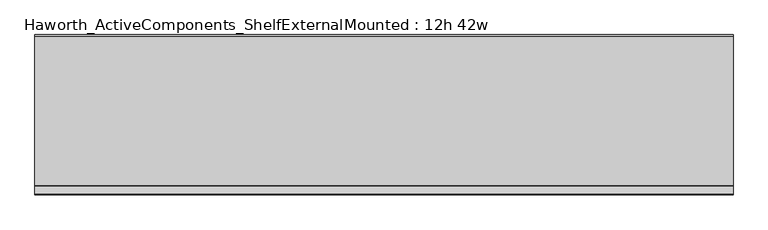
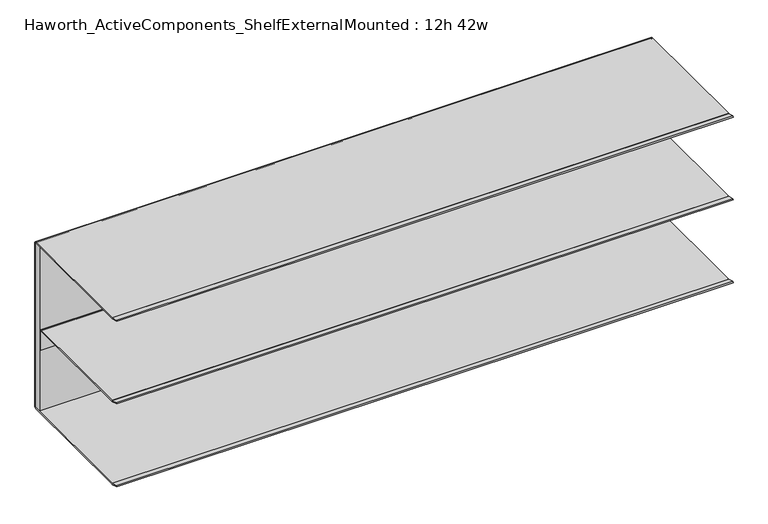
"""IFC4 building model written with IfcOpenShell, lengths in millimetres: furniture geometry, Haworth_ActiveComponents_ShelfExternalMounted : 12h 42w."""

import ifcopenshell
import ifcopenshell.guid

model = None  # the IFC model being written
_history = None  # IfcOwnerHistory: only IFC2X3 demands one
_inside = {}  # id of a spatial element -> (the spatial element, [elements in it])
_under = {}  # id of a project, library or spatial element -> (it, [spatial elements below it])
_declared = {}  # id of a project -> (the project, [libraries it declares])
_typed = {}  # id of a type object -> (the type object, [elements of that type])
_made_of = {}  # id of a material, layer set ... -> (it, [elements and type objects made of it])


def new_model(schema):
    """Start an empty IFC model of exactly this schema.

    Asked for "IFC4X3", IfcOpenShell would pick the latest addendum, in which some entities
    have other attributes; the version numbers below select the first issue.
    IFC2X3 requires an IfcOwnerHistory on every rooted entity: one is made here for all.
    """
    global model, _history
    if schema == "IFC4X3":
        model = ifcopenshell.file(schema_version=(4, 3, 0, 0))
    else:
        model = ifcopenshell.file(schema=schema)
    _inside.clear()
    _under.clear()
    _declared.clear()
    _typed.clear()
    _made_of.clear()
    _history = None
    if model.schema == "IFC2X3":
        org = make("IfcOrganization", Name="unknown")
        user = make(
            "IfcPersonAndOrganization",
            ThePerson=make("IfcPerson", FamilyName="unknown"),
            TheOrganization=org,
        )
        app = make(
            "IfcApplication",
            ApplicationDeveloper=org,
            Version="unknown",
            ApplicationFullName="unknown",
            ApplicationIdentifier="unknown",
        )
        _history = make(
            "IfcOwnerHistory",
            OwningUser=user,
            OwningApplication=app,
            ChangeAction="ADDED",
            CreationDate=0,
        )
    return model


def make(cls, **values):
    """One entity of the class cls with the attributes given. An attribute that is None is left unset."""
    return model.create_entity(
        cls, **{name: value for name, value in values.items() if value is not None}
    )


def rooted(cls, **values):
    """An entity with a GlobalId (a new one), such as an element, a storey or a relation."""
    return make(cls, GlobalId=ifcopenshell.guid.new(), OwnerHistory=_history, **values)


def si_unit(unit_type, name, prefix=None):
    """IfcSIUnit, for example si_unit("LENGTHUNIT", "METRE", prefix="MILLI")."""
    return make("IfcSIUnit", UnitType=unit_type, Prefix=prefix, Name=name)


def assignment(units):
    """IfcUnitAssignment: the units of a project."""
    return None if units is None else make("IfcUnitAssignment", Units=units)


def point(xyz):
    """IfcCartesianPoint."""
    return None if xyz is None else make("IfcCartesianPoint", Coordinates=xyz)


def direction(xyz):
    """IfcDirection."""
    return None if xyz is None else make("IfcDirection", DirectionRatios=xyz)


def frame(location, z_axis=None, x_axis=None):
    """IfcAxis2Placement3D, a coordinate frame: its origin and axes. An axis left out is left unset."""
    return make(
        "IfcAxis2Placement3D",
        Location=point(location),
        Axis=direction(z_axis),
        RefDirection=direction(x_axis),
    )


def frame_2d(location, x_axis=None):
    """IfcAxis2Placement2D, a coordinate frame in the plane: its origin and x axis."""
    return make(
        "IfcAxis2Placement2D", Location=point(location), RefDirection=direction(x_axis)
    )


def origin():
    """The frame at (0, 0, 0) with its axes left unset."""
    return frame((0.0, 0.0, 0.0))


def place(relative_to, where):
    """IfcLocalPlacement: puts the frame where relative to a parent placement (None: the world)."""
    return make(
        "IfcLocalPlacement", PlacementRelTo=relative_to, RelativePlacement=where
    )


def context(
    kind, dimensions, precision=None, world=None, true_north=None, identifier=None
):
    """IfcGeometricRepresentationContext, for example the 3D "Model" context."""
    return make(
        "IfcGeometricRepresentationContext",
        ContextIdentifier=identifier,
        ContextType=kind,
        CoordinateSpaceDimension=dimensions,
        Precision=precision,
        WorldCoordinateSystem=world,
        TrueNorth=true_north,
    )


def project(units=None, contexts=None):
    """IfcProject with its units and contexts."""
    return rooted(
        "IfcProject",
        Name="project",
        RepresentationContexts=contexts,
        UnitsInContext=assignment(units),
    )


def spatial(cls, under=None, at=None, **own):
    """A site, building, storey or space (cls), placed at a placement, below another one or the project."""
    s = rooted(cls, ObjectPlacement=at, **own)
    if under is not None:
        _under.setdefault(under.id(), (under, []))[1].append(s)
    return s


def polyline(points):
    """IfcPolyline through the points."""
    return make("IfcPolyline", Points=[point(p) for p in points])


def circle_curve(where, radius):
    """IfcCircle in the frame where."""
    return make("IfcCircle", Position=where, Radius=radius)


def trimmed(basis, trim1, trim2, sense, master):
    """IfcTrimmedCurve: the piece of a basis curve between two trims."""
    return make(
        "IfcTrimmedCurve",
        BasisCurve=basis,
        Trim1=trim1,
        Trim2=trim2,
        SenseAgreement=sense,
        MasterRepresentation=master,
    )


def segment(curve, same_sense, transition):
    """IfcCompositeCurveSegment."""
    return make(
        "IfcCompositeCurveSegment",
        Transition=transition,
        SameSense=same_sense,
        ParentCurve=curve,
    )


def composite_curve(segments, self_intersect=None):
    """IfcCompositeCurve: segments joined end to end."""
    return make("IfcCompositeCurve", Segments=segments, SelfIntersect=self_intersect)


def outline(outer, holes=None, kind="AREA"):
    """IfcArbitraryClosedProfileDef: a profile drawn as a closed curve; with holes, ...WithVoids."""
    if holes is None:
        return make("IfcArbitraryClosedProfileDef", ProfileType=kind, OuterCurve=outer)
    return make(
        "IfcArbitraryProfileDefWithVoids",
        ProfileType=kind,
        OuterCurve=outer,
        InnerCurves=holes,
    )


def extrude(swept, where, along, depth):
    """IfcExtrudedAreaSolid: the profile swept, set in the frame where, extruded along a direction by depth."""
    return make(
        "IfcExtrudedAreaSolid",
        SweptArea=swept,
        Position=where,
        ExtrudedDirection=direction(along),
        Depth=depth,
    )


def shape(context_of_items, identifier, shape_type, items):
    """IfcShapeRepresentation: the items that make up one representation, for example the "Body"."""
    return make(
        "IfcShapeRepresentation",
        ContextOfItems=context_of_items,
        RepresentationIdentifier=identifier,
        RepresentationType=shape_type,
        Items=items,
    )


def source(mapping_origin, context_of_items, identifier, shape_type, items):
    """IfcRepresentationMap: a shape defined once, which mapped items show again and again."""
    return make(
        "IfcRepresentationMap",
        MappingOrigin=mapping_origin,
        MappedRepresentation=shape(context_of_items, identifier, shape_type, items),
    )


def transform(
    local_origin,
    x_axis=None,
    y_axis=None,
    z_axis=None,
    scale=None,
    scale2=None,
    scale3=None,
    uniform=True,
):
    """IfcCartesianTransformationOperator3D, or its non-uniform kind. x_axis, y_axis, z_axis: its Axis1, 2, 3."""
    if uniform:
        return make(
            "IfcCartesianTransformationOperator3D",
            Axis1=direction(x_axis),
            Axis2=direction(y_axis),
            LocalOrigin=point(local_origin),
            Scale=scale,
            Axis3=direction(z_axis),
        )
    return make(
        "IfcCartesianTransformationOperator3DnonUniform",
        Axis1=direction(x_axis),
        Axis2=direction(y_axis),
        LocalOrigin=point(local_origin),
        Scale=scale,
        Axis3=direction(z_axis),
        Scale2=scale2,
        Scale3=scale3,
    )


def mapped(mapping_source, mapping_target):
    """IfcMappedItem: shows the shape of a source again, moved by a transform."""
    return make(
        "IfcMappedItem", MappingSource=mapping_source, MappingTarget=mapping_target
    )


def made_of(thing, what):
    """Note that an element or type object is made of a material, layer set ...; save() writes the relation."""
    if what is not None:
        _made_of.setdefault(what.id(), (what, []))[1].append(thing)
    return thing


def element(
    cls,
    number,
    at=None,
    inside=None,
    cuts=None,
    type_object=None,
    material=None,
    context=None,
    identifier="Body",
    shape_type=None,
    held_by="IfcProductDefinitionShape",
    body=None,
    shapes=None,
    **own,
):
    """One element of the class cls, such as IfcWall. Its Tag is "e" and its number.

    at: its placement. inside: the storey or other place that contains it. cuts: it is an
    opening in that element (IfcRelVoidsElement). A single representation is given by context,
    identifier, shape_type and body (its items); several are given by shapes. held_by: the class
    of the entity that holds the representations. save() writes the other relations.
    """
    e = rooted(cls, Tag="e%d" % number, ObjectPlacement=at, **own)
    if body is not None:
        shapes = [shape(context, identifier, shape_type, body)]
    if shapes is not None:
        e.Representation = make(held_by, Representations=shapes)
    if inside is not None:
        _inside.setdefault(inside.id(), (inside, []))[1].append(e)
    if cuts is not None:
        rooted(
            "IfcRelVoidsElement", RelatingBuildingElement=cuts, RelatedOpeningElement=e
        )
    if type_object is not None:
        _typed.setdefault(type_object.id(), (type_object, []))[1].append(e)
    return made_of(e, material)


def aggregate(whole, parts):
    """IfcRelAggregates: a whole, such as a stair, and the parts it consists of."""
    return rooted("IfcRelAggregates", RelatingObject=whole, RelatedObjects=parts)


def save(model, path):
    """Write the relations noted so far, then the file.

    IfcRelAggregates (storeys below a building ...), IfcRelContainedInSpatialStructure (elements
    in a storey), IfcRelDefinesByType, IfcRelAssociatesMaterial and IfcRelDeclares: one each for
    every whole, place, type object, material and project.
    """
    for whole, parts in _under.values():
        aggregate(whole, parts)
    for where, things in _inside.values():
        rooted(
            "IfcRelContainedInSpatialStructure",
            RelatedElements=things,
            RelatingStructure=where,
        )
    for kind, things in _typed.values():
        rooted("IfcRelDefinesByType", RelatedObjects=things, RelatingType=kind)
    for what, things in _made_of.values():
        rooted("IfcRelAssociatesMaterial", RelatedObjects=things, RelatingMaterial=what)
    for by, libraries in _declared.values():
        rooted("IfcRelDeclares", RelatingContext=by, RelatedDefinitions=libraries)
    model.write(path)


def haworth_activecomponents_shelfexternalmounted_12h_42w_2372ff5a(model_context):
    return source(origin(), model_context, "Body", "SweptSolid", [
        extrude(outline(polyline([(-2184.346931, -1108.8104248), (-2184.346931, -1096.1601932), (-1117.546931, -1096.1601932), (-1117.546931, -1108.8104248), (-2184.346931, -1108.8104248)])), frame((0.0, 0.0, 587.0955999), z_axis=(0.0, 0.0, 1.0), x_axis=(1.0, 0.0, 0.0)), (0.0, 0.0, 1.0), 299.0087945),
        extrude(outline(composite_curve([segment(polyline([(-1097.380424, 584.2), (-1325.9274211, 584.2)]), True, "CONTINUOUS"), segment(trimmed(circle_curve(frame_2d((-1325.9274211, 587.375)), 3.175), [point((-1325.9274211, 584.2))], [point((-1326.7491675, 584.3081844))], False, "CARTESIAN"), True, "CONTINUOUS"), segment(polyline([(-1326.7491675, 584.3081844), (-1338.9841932, 587.5865324), (-1338.4911456, 589.426621), (-1326.4983733, 586.2131843)]), True, "CONTINUOUS"), segment(trimmed(circle_curve(frame_2d((-1325.6766268, 589.2799999)), 3.175), [point((-1326.4983733, 586.2131843))], [point((-1325.6766268, 586.1049999))], True, "CARTESIAN"), True, "CONTINUOUS"), segment(polyline([(-1325.6766268, 586.1049999), (-1097.1943019, 586.1049999)]), True, "CONTINUOUS"), segment(trimmed(circle_curve(frame_2d((-1097.1943019, 587.1888762)), 1.0838764), [point((-1097.1943019, 586.1049999))], [point((-1096.1104256, 587.1888762))], True, "CARTESIAN"), True, "CONTINUOUS"), segment(polyline([(-1096.1104256, 587.1888762), (-1096.1104256, 886.0673706)]), True, "CONTINUOUS"), segment(trimmed(circle_curve(frame_2d((-1097.1380502, 886.0673706)), 1.0276247), [point((-1096.1104256, 886.0673706))], [point((-1097.1380502, 887.0949953))], True, "CARTESIAN"), True, "CONTINUOUS"), segment(polyline([(-1097.1380502, 887.0949953), (-1325.8780783, 887.0949953)]), True, "CONTINUOUS"), segment(trimmed(circle_curve(frame_2d((-1325.8780783, 890.2699953)), 3.175), [point((-1325.8780783, 887.0949953))], [point((-1326.6998504, 887.2031866))], False, "CARTESIAN"), True, "CONTINUOUS"), segment(polyline([(-1326.6998504, 887.2031866), (-1338.9344324, 890.4815255), (-1338.4413666, 892.3216203), (-1326.4490248, 889.1081913)]), True, "CONTINUOUS"), segment(trimmed(circle_curve(frame_2d((-1325.6272527, 892.175)), 3.175), [point((-1326.4490248, 889.1081913))], [point((-1325.6272527, 889.0))], True, "CARTESIAN"), True, "CONTINUOUS"), segment(polyline([(-1325.6272527, 889.0), (-1097.380424, 889.0)]), True, "CONTINUOUS"), segment(trimmed(circle_curve(frame_2d((-1097.380424, 885.825)), 3.175), [point((-1097.380424, 889.0))], [point((-1094.205424, 885.825))], False, "CARTESIAN"), True, "CONTINUOUS"), segment(polyline([(-1094.205424, 885.825), (-1094.205424, 587.375)]), True, "CONTINUOUS"), segment(trimmed(circle_curve(frame_2d((-1097.380424, 587.375)), 3.175), [point((-1094.205424, 587.375))], [point((-1097.380424, 584.2))], False, "CARTESIAN"), True, "CONTINUOUS")], self_intersect=False)), frame((-2184.346931, 0.0, 0.0), z_axis=(1.0, 0.0, 0.0), x_axis=(0.0, 1.0, 0.0)), (0.0, 0.0, 1.0), 1066.8),
        extrude(outline(composite_curve([segment(polyline([(-1338.9344324, 739.0213301), (-1338.4413666, 740.8614249), (-1326.4490005, 737.6479893)]), True, "CONTINUOUS"), segment(trimmed(circle_curve(frame_2d((-1325.6272283, 740.714798)), 3.175), [point((-1326.4490005, 737.6479893))], [point((-1325.6272283, 737.539798))], True, "CARTESIAN"), True, "CONTINUOUS"), segment(polyline([(-1325.6272283, 737.539798), (-1113.319713, 737.539798)]), True, "CONTINUOUS"), segment(trimmed(circle_curve(frame_2d((-1113.319713, 734.5545084)), 2.9852896), [point((-1113.319713, 737.539798))], [point((-1110.3344234, 734.5545084))], False, "CARTESIAN"), True, "CONTINUOUS"), segment(polyline([(-1110.3344234, 734.5545084), (-1110.3344234, 699.439798), (-1112.2394238, 699.439798), (-1112.2394238, 734.6253876)]), True, "CONTINUOUS"), segment(trimmed(circle_curve(frame_2d((-1113.248836, 734.6253876)), 1.0094122), [point((-1112.2394238, 734.6253876))], [point((-1113.248836, 735.6347998))], True, "CARTESIAN"), True, "CONTINUOUS"), segment(polyline([(-1113.248836, 735.6347998), (-1325.8780783, 735.6347998)]), True, "CONTINUOUS"), segment(trimmed(circle_curve(frame_2d((-1325.8780783, 738.8097998)), 3.175), [point((-1325.8780783, 735.6347998))], [point((-1326.6998504, 735.7429911))], False, "CARTESIAN"), True, "CONTINUOUS"), segment(polyline([(-1326.6998504, 735.7429911), (-1338.9344324, 739.0213301)]), True, "CONTINUOUS")], self_intersect=False)), frame((-2184.346931, 0.0, 0.0), z_axis=(1.0, 0.0, 0.0), x_axis=(0.0, 1.0, 0.0)), (0.0, 0.0, 1.0), 1066.8),
    ])


if __name__ == "__main__":
    model = new_model("IFC4")
    model_context = context("Model", 3, world=origin())
    ifc_project = project(units=[si_unit("LENGTHUNIT", "METRE", prefix="MILLI")], contexts=[model_context])
    site = spatial("IfcSite", under=ifc_project)
    building = spatial("IfcBuilding", under=site)
    placement = place(None, origin())
    haworth_activecomponents_shelfexternalmounted_12h_42w_shape = haworth_activecomponents_shelfexternalmounted_12h_42w_2372ff5a(model_context)
    element("IfcFurniture", 1, ObjectType="Haworth_ActiveComponents_ShelfExternalMounted : 12h 42w", at=placement, inside=building, context=model_context, shape_type="MappedRepresentation", body=[
        mapped(haworth_activecomponents_shelfexternalmounted_12h_42w_shape, transform((0.0, 0.0, 0.0), x_axis=(1.0, 0.0, 0.0), y_axis=(0.0, 1.0, 0.0), z_axis=(0.0, 0.0, 1.0))),
    ])
    save(model, "model.ifc")
